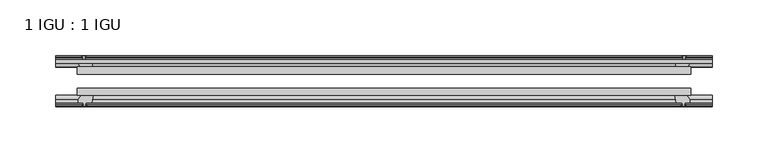
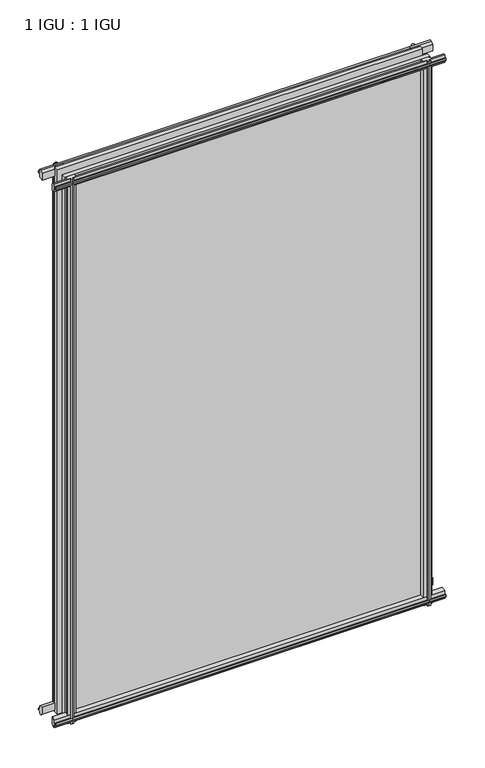
"""IFC4 building model written with IfcOpenShell, lengths in millimetres: plate geometry, 1 IGU : 1 IGU."""

from ifc_helpers import new_model, si_unit, frame, origin, place, context, project, spatial, polyline, outline, extrude, source, transform, mapped, element, save


def plate_1_igu_1_igu_fc420798(model_context):
    return source(origin(), model_context, "Body", "SweptSolid", [
        extrude(outline(polyline([(-273.8239964, -38.6468937), (273.8239964, -38.6468937), (273.8239964, -44.9460938), (-273.8239964, -44.9460938), (-273.8239964, -38.6468937)])), frame((0.0, 0.0, -12.7), z_axis=(0.0, 0.0, 1.0), x_axis=(1.0, 0.0, 0.0)), (0.0, 0.0, 1.0), 863.5999996),
        extrude(outline(polyline([(-273.8239964, -19.5460937), (273.8239964, -19.5460937), (273.8239964, -25.8960938), (-273.8239964, -25.8960938), (-273.8239964, -19.5460937)])), frame((0.0, 0.0, -12.7), z_axis=(0.0, 0.0, 1.0), x_axis=(1.0, 0.0, 0.0)), (0.0, 0.0, 1.0), 863.5999996),
        extrude(outline(polyline([(-44.9460937, 1.7177181), (-44.9460937, -9.1036578), (-48.3496937, -11.938), (-51.2960937, -11.938), (-51.2960937, -7.493), (-53.6762907, -7.112), (-53.2163575, -8.5275291), (-54.0175717, -8.5275291), (-54.7250937, -6.35), (-54.0175717, -4.1724709), (-53.2163575, -4.1724709), (-53.6762907, -5.588), (-51.2960937, -5.207), (-51.2960937, 0.0), (-44.9460937, 1.7177181)])), frame((-292.8739964, 0.0, 0.0), z_axis=(1.0, 0.0, 0.0), x_axis=(0.0, 1.0, 0.0)), (0.0, 0.0, 1.0), 585.7479928),
        extrude(outline(polyline([(-13.1960937, -12.4587), (-16.1424937, -12.4587), (-19.5460937, -9.6243578), (-19.5460937, 1.1970181), (-13.1960937, -0.5207), (-13.1960937, -5.7277), (-10.8158968, -6.1087), (-11.27583, -4.6931709), (-10.4746158, -4.6931709), (-9.7670937, -6.8707), (-10.4746158, -9.0482291), (-11.27583, -9.0482291), (-10.8158968, -7.6327), (-13.1960937, -8.0137), (-13.1960937, -12.4587)])), frame((-292.8739964, 0.0, 0.0), z_axis=(1.0, 0.0, 0.0), x_axis=(0.0, 1.0, 0.0)), (0.0, 0.0, 1.0), 585.7479928),
        extrude(outline(polyline([(-51.2960937, 850.1379996), (-48.3496937, 850.1379996), (-44.9460937, 847.3036575), (-44.9460937, 836.4822816), (-51.2960937, 838.1999996), (-51.2960937, 843.4069996), (-53.6762907, 843.7879996), (-53.2163575, 842.3724706), (-54.0175717, 842.3724706), (-54.7250937, 844.5499996), (-54.0175717, 846.7275287), (-53.2163575, 846.7275287), (-53.6762907, 845.3119996), (-51.2960937, 845.6929996), (-51.2960937, 850.1379996)])), frame((-292.8739964, 0.0, 0.0), z_axis=(1.0, 0.0, 0.0), x_axis=(0.0, 1.0, 0.0)), (0.0, 0.0, 1.0), 585.7479928),
        extrude(outline(polyline([(-19.5460937, 837.0029816), (-19.5460937, 847.8243575), (-16.1424937, 850.6586996), (-13.1960937, 850.6586996), (-13.1960937, 846.2136996), (-10.8158968, 845.8326996), (-11.27583, 847.2482287), (-10.4746158, 847.2482287), (-9.7670937, 845.0706996), (-10.4746158, 842.8931706), (-11.27583, 842.8931706), (-10.8158968, 844.3086996), (-13.1960937, 843.9276996), (-13.1960937, 838.7206996), (-19.5460937, 837.0029816)])), frame((-292.8739964, 0.0, 0.0), z_axis=(1.0, 0.0, 0.0), x_axis=(0.0, 1.0, 0.0)), (0.0, 0.0, 1.0), 585.7479928),
        extrude(outline(polyline([(259.9269783, -19.5460938), (261.6446964, -13.1960938), (266.8516964, -13.1960938), (267.2326964, -10.8158968), (265.8171673, -11.27583), (265.8171673, -10.4746158), (267.9946964, -9.7670938), (270.1722254, -10.4746158), (270.1722254, -11.27583), (268.7566964, -10.8158968), (269.1376964, -13.1960938), (273.5826964, -13.1960938), (273.5826964, -16.1424938), (270.7483542, -19.5460938), (259.9269783, -19.5460938)])), frame((0.0, 0.0, -12.7), z_axis=(0.0, 0.0, 1.0), x_axis=(1.0, 0.0, 0.0)), (0.0, 0.0, 1.0), 863.5999998),
        extrude(outline(polyline([(259.4062783, -44.9460938), (270.2276542, -44.9460938), (273.0619964, -48.3496938), (273.0619964, -51.2960938), (268.6169964, -51.2960938), (268.2359964, -53.6762907), (269.6515254, -53.2163575), (269.6515254, -54.0175717), (267.4739964, -54.7250938), (265.2964673, -54.0175717), (265.2964673, -53.2163575), (266.7119964, -53.6762907), (266.3309964, -51.2960938), (261.1239964, -51.2960938), (259.4062783, -44.9460938)])), frame((0.0, 0.0, -12.7), z_axis=(0.0, 0.0, 1.0), x_axis=(1.0, 0.0, 0.0)), (0.0, 0.0, 1.0), 863.5999998),
        extrude(outline(polyline([(-267.9946964, -9.7670937), (-265.8171673, -10.4746158), (-265.8171673, -11.27583), (-267.2326964, -10.8158968), (-266.8516964, -13.1960937), (-261.6446964, -13.1960937), (-259.9269783, -19.5460937), (-270.7483542, -19.5460937), (-273.5826964, -16.1424937), (-273.5826964, -13.1960937), (-269.1376964, -13.1960937), (-268.7566964, -10.8158968), (-270.1722254, -11.27583), (-270.1722254, -10.4746158), (-267.9946964, -9.7670937)])), frame((0.0, 0.0, -12.7), z_axis=(0.0, 0.0, 1.0), x_axis=(1.0, 0.0, 0.0)), (0.0, 0.0, 1.0), 863.5999998),
        extrude(outline(polyline([(-273.0619964, -48.3496937), (-270.2276542, -44.9460937), (-259.4062783, -44.9460937), (-261.1239964, -51.2960937), (-266.3309964, -51.2960937), (-266.7119964, -53.6762907), (-265.2964673, -53.2163575), (-265.2964673, -54.0175717), (-267.4739964, -54.7250937), (-269.6515254, -54.0175717), (-269.6515254, -53.2163575), (-268.2359964, -53.6762907), (-268.6169964, -51.2960937), (-273.0619964, -51.2960937), (-273.0619964, -48.3496937)])), frame((0.0, 0.0, -12.7), z_axis=(0.0, 0.0, 1.0), x_axis=(1.0, 0.0, 0.0)), (0.0, 0.0, 1.0), 863.5999998),
    ])


if __name__ == "__main__":
    model = new_model("IFC4")
    model_context = context("Model", 3, world=origin())
    ifc_project = project(units=[si_unit("LENGTHUNIT", "METRE", prefix="MILLI")], contexts=[model_context])
    site = spatial("IfcSite", under=ifc_project)
    building = spatial("IfcBuilding", under=site)
    placement = place(None, origin())
    plate_1_igu_1_igu_shape = plate_1_igu_1_igu_fc420798(model_context)
    element("IfcPlate", 1, ObjectType="1 IGU : 1 IGU", at=placement, inside=building, context=model_context, shape_type="MappedRepresentation", body=[
        mapped(plate_1_igu_1_igu_shape, transform((0.0, 0.0, 0.0), x_axis=(1.0, 0.0, 0.0), y_axis=(0.0, 1.0, 0.0), z_axis=(0.0, 0.0, 1.0))),
    ])
    save(model, "model.ifc")
